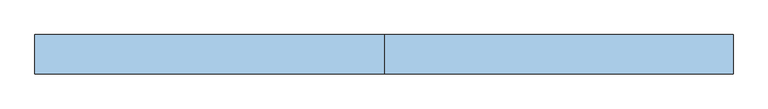
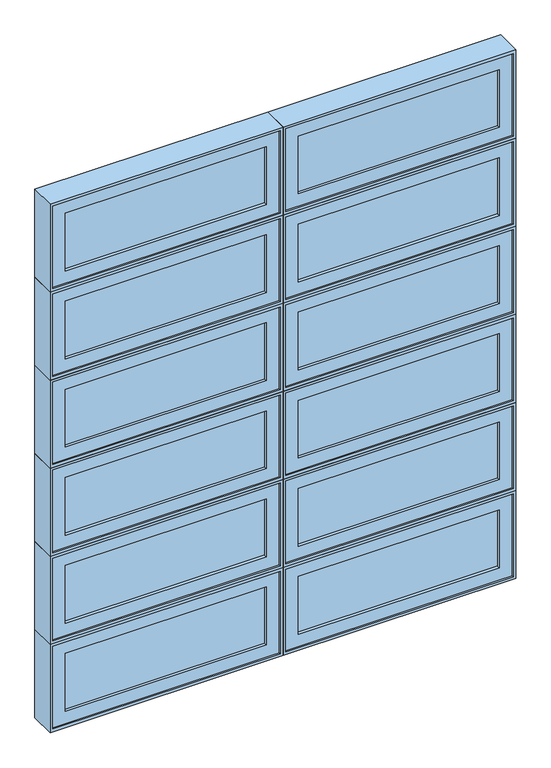
"""IFC4 building model written with IfcOpenShell, lengths in millimetres: window geometry."""

from ifc_helpers import new_model, si_unit, frame, origin, place, context, project, spatial, polyline, outline, extrude, faceted_brep, source, transform, mapped, element, save


def window_0b551761(model_context):
    return source(origin(), model_context, "Body", "SolidModel", [
        faceted_brep([(-1891.8781766, -42.8625, 2959.1), (-1891.8781766, -93.6625, 2959.1), (-901.2781766, -93.6625, 2959.1), (-901.2781766, -42.8625, 2959.1), (-1872.8281766, 20.6375, 2978.15), (-1872.8281766, -42.8625, 2978.15), (-920.3281766, -42.8625, 2978.15), (-920.3281766, 20.6375, 2978.15), (-1904.5781766, -93.6625, 2946.4), (-1904.5781766, 20.6375, 2946.4), (-888.5781766, 20.6375, 2946.4), (-888.5781766, -93.6625, 2946.4), (-901.2781766, -93.6625, 3340.1), (-901.2781766, -42.8625, 3340.1), (-920.3281766, -42.8625, 3321.05), (-920.3281766, 20.6375, 3321.05), (-888.5781766, 20.6375, 3352.8), (-888.5781766, -93.6625, 3352.8), (-1891.8781766, -93.6625, 3340.1), (-1891.8781766, -42.8625, 3340.1), (-1872.8281766, -42.8625, 3321.05), (-1872.8281766, 20.6375, 3321.05), (-1904.5781766, 20.6375, 3352.8), (-1904.5781766, -93.6625, 3352.8)], [[[0, 1, 2, 3]], [[4, 5, 6, 7]], [[8, 9, 10, 11]], [[3, 2, 12, 13]], [[7, 6, 14, 15]], [[11, 10, 16, 17]], [[13, 12, 18, 19]], [[15, 14, 20, 21]], [[17, 16, 22, 23]], [[11, 17, 23, 8], [1, 18, 12, 2]], [[19, 18, 1, 0]], [[3, 13, 19, 0], [5, 20, 14, 6]], [[21, 20, 5, 4]], [[9, 22, 16, 10], [7, 15, 21, 4]], [[23, 22, 9, 8]]]),
        extrude(outline(polyline([(-1834.7281766, -74.6125), (-1834.7281766, -68.2625), (-958.4281766, -68.2625), (-958.4281766, -74.6125), (-1834.7281766, -74.6125)])), frame((0.0, 0.0, 3016.25), z_axis=(0.0, 0.0, 1.0), x_axis=(1.0, 0.0, 0.0)), (0.0, 0.0, 1.0), 266.7),
        extrude(outline(polyline([(-1834.7281766, -61.9125), (-1834.7281766, -55.5625), (-958.4281766, -55.5625), (-958.4281766, -61.9125), (-1834.7281766, -61.9125)])), frame((0.0, 0.0, 3016.25), z_axis=(0.0, 0.0, 1.0), x_axis=(1.0, 0.0, 0.0)), (0.0, 0.0, 1.0), 266.7),
        extrude(outline(polyline([(3340.1, -901.2781766), (3340.1, -1891.8781766), (2959.1, -1891.8781766), (2959.1, -901.2781766), (3340.1, -901.2781766)]), holes=[polyline([(3016.25, -958.4281766), (3016.25, -1834.7281766), (3282.95, -1834.7281766), (3282.95, -958.4281766), (3016.25, -958.4281766)])]), frame((0.0, -87.3125, 0.0), z_axis=(0.0, 1.0, 0.0), x_axis=(0.0, 0.0, 1.0)), (0.0, 0.0, 1.0), 44.45),
        faceted_brep([(-875.8781766, -42.8625, 2959.1), (-875.8781766, -93.6625, 2959.1), (114.7218234, -93.6625, 2959.1), (114.7218234, -42.8625, 2959.1), (-856.8281766, 20.6375, 2978.15), (-856.8281766, -42.8625, 2978.15), (95.6718234, -42.8625, 2978.15), (95.6718234, 20.6375, 2978.15), (-888.5781766, -93.6625, 2946.4), (-888.5781766, 20.6375, 2946.4), (127.4218234, 20.6375, 2946.4), (127.4218234, -93.6625, 2946.4), (114.7218234, -93.6625, 3340.1), (114.7218234, -42.8625, 3340.1), (95.6718234, -42.8625, 3321.05), (95.6718234, 20.6375, 3321.05), (127.4218234, 20.6375, 3352.8), (127.4218234, -93.6625, 3352.8), (-875.8781766, -93.6625, 3340.1), (-875.8781766, -42.8625, 3340.1), (-856.8281766, -42.8625, 3321.05), (-856.8281766, 20.6375, 3321.05), (-888.5781766, 20.6375, 3352.8), (-888.5781766, -93.6625, 3352.8)], [[[0, 1, 2, 3]], [[4, 5, 6, 7]], [[8, 9, 10, 11]], [[3, 2, 12, 13]], [[7, 6, 14, 15]], [[11, 10, 16, 17]], [[13, 12, 18, 19]], [[15, 14, 20, 21]], [[17, 16, 22, 23]], [[11, 17, 23, 8], [1, 18, 12, 2]], [[19, 18, 1, 0]], [[3, 13, 19, 0], [5, 20, 14, 6]], [[21, 20, 5, 4]], [[9, 22, 16, 10], [7, 15, 21, 4]], [[23, 22, 9, 8]]]),
        extrude(outline(polyline([(-818.7281766, -74.6125), (-818.7281766, -68.2625), (57.5718234, -68.2625), (57.5718234, -74.6125), (-818.7281766, -74.6125)])), frame((0.0, 0.0, 3016.25), z_axis=(0.0, 0.0, 1.0), x_axis=(1.0, 0.0, 0.0)), (0.0, 0.0, 1.0), 266.7),
        extrude(outline(polyline([(-818.7281766, -61.9125), (-818.7281766, -55.5625), (57.5718234, -55.5625), (57.5718234, -61.9125), (-818.7281766, -61.9125)])), frame((0.0, 0.0, 3016.25), z_axis=(0.0, 0.0, 1.0), x_axis=(1.0, 0.0, 0.0)), (0.0, 0.0, 1.0), 266.7),
        extrude(outline(polyline([(3340.1, 114.7218234), (3340.1, -875.8781766), (2959.1, -875.8781766), (2959.1, 114.7218234), (3340.1, 114.7218234)]), holes=[polyline([(3016.25, 57.5718234), (3016.25, -818.7281766), (3282.95, -818.7281766), (3282.95, 57.5718234), (3016.25, 57.5718234)])]), frame((0.0, -87.3125, 0.0), z_axis=(0.0, 1.0, 0.0), x_axis=(0.0, 0.0, 1.0)), (0.0, 0.0, 1.0), 44.45),
        faceted_brep([(-875.8781766, -42.8625, 2552.7), (-875.8781766, -93.6625, 2552.7), (114.7218234, -93.6625, 2552.7), (114.7218234, -42.8625, 2552.7), (-856.8281766, 20.6375, 2571.75), (-856.8281766, -42.8625, 2571.75), (95.6718234, -42.8625, 2571.75), (95.6718234, 20.6375, 2571.75), (-888.5781766, -93.6625, 2540.0), (-888.5781766, 20.6375, 2540.0), (127.4218234, 20.6375, 2540.0), (127.4218234, -93.6625, 2540.0), (114.7218234, -93.6625, 2933.7), (114.7218234, -42.8625, 2933.7), (95.6718234, -42.8625, 2914.65), (95.6718234, 20.6375, 2914.65), (127.4218234, 20.6375, 2946.4), (127.4218234, -93.6625, 2946.4), (-875.8781766, -93.6625, 2933.7), (-875.8781766, -42.8625, 2933.7), (-856.8281766, -42.8625, 2914.65), (-856.8281766, 20.6375, 2914.65), (-888.5781766, 20.6375, 2946.4), (-888.5781766, -93.6625, 2946.4)], [[[0, 1, 2, 3]], [[4, 5, 6, 7]], [[8, 9, 10, 11]], [[3, 2, 12, 13]], [[7, 6, 14, 15]], [[11, 10, 16, 17]], [[13, 12, 18, 19]], [[15, 14, 20, 21]], [[17, 16, 22, 23]], [[11, 17, 23, 8], [1, 18, 12, 2]], [[19, 18, 1, 0]], [[3, 13, 19, 0], [5, 20, 14, 6]], [[21, 20, 5, 4]], [[9, 22, 16, 10], [7, 15, 21, 4]], [[23, 22, 9, 8]]]),
        extrude(outline(polyline([(-818.7281766, -74.6125), (-818.7281766, -68.2625), (57.5718234, -68.2625), (57.5718234, -74.6125), (-818.7281766, -74.6125)])), frame((0.0, 0.0, 2609.85), z_axis=(0.0, 0.0, 1.0), x_axis=(1.0, 0.0, 0.0)), (0.0, 0.0, 1.0), 266.7),
        extrude(outline(polyline([(-818.7281766, -61.9125), (-818.7281766, -55.5625), (57.5718234, -55.5625), (57.5718234, -61.9125), (-818.7281766, -61.9125)])), frame((0.0, 0.0, 2609.85), z_axis=(0.0, 0.0, 1.0), x_axis=(1.0, 0.0, 0.0)), (0.0, 0.0, 1.0), 266.7),
        extrude(outline(polyline([(2933.7, 114.7218234), (2933.7, -875.8781766), (2552.7, -875.8781766), (2552.7, 114.7218234), (2933.7, 114.7218234)]), holes=[polyline([(2609.85, 57.5718234), (2609.85, -818.7281766), (2876.55, -818.7281766), (2876.55, 57.5718234), (2609.85, 57.5718234)])]), frame((0.0, -87.3125, 0.0), z_axis=(0.0, 1.0, 0.0), x_axis=(0.0, 0.0, 1.0)), (0.0, 0.0, 1.0), 44.45),
        faceted_brep([(-1891.8781766, -42.8625, 2552.7), (-1891.8781766, -93.6625, 2552.7), (-901.2781766, -93.6625, 2552.7), (-901.2781766, -42.8625, 2552.7), (-1872.8281766, 20.6375, 2571.75), (-1872.8281766, -42.8625, 2571.75), (-920.3281766, -42.8625, 2571.75), (-920.3281766, 20.6375, 2571.75), (-1904.5781766, -93.6625, 2540.0), (-1904.5781766, 20.6375, 2540.0), (-888.5781766, 20.6375, 2540.0), (-888.5781766, -93.6625, 2540.0), (-901.2781766, -93.6625, 2933.7), (-901.2781766, -42.8625, 2933.7), (-920.3281766, -42.8625, 2914.65), (-920.3281766, 20.6375, 2914.65), (-888.5781766, 20.6375, 2946.4), (-888.5781766, -93.6625, 2946.4), (-1891.8781766, -93.6625, 2933.7), (-1891.8781766, -42.8625, 2933.7), (-1872.8281766, -42.8625, 2914.65), (-1872.8281766, 20.6375, 2914.65), (-1904.5781766, 20.6375, 2946.4), (-1904.5781766, -93.6625, 2946.4)], [[[0, 1, 2, 3]], [[4, 5, 6, 7]], [[8, 9, 10, 11]], [[3, 2, 12, 13]], [[7, 6, 14, 15]], [[11, 10, 16, 17]], [[13, 12, 18, 19]], [[15, 14, 20, 21]], [[17, 16, 22, 23]], [[11, 17, 23, 8], [1, 18, 12, 2]], [[19, 18, 1, 0]], [[3, 13, 19, 0], [5, 20, 14, 6]], [[21, 20, 5, 4]], [[9, 22, 16, 10], [7, 15, 21, 4]], [[23, 22, 9, 8]]]),
        extrude(outline(polyline([(-1834.7281766, -74.6125), (-1834.7281766, -68.2625), (-958.4281766, -68.2625), (-958.4281766, -74.6125), (-1834.7281766, -74.6125)])), frame((0.0, 0.0, 2609.85), z_axis=(0.0, 0.0, 1.0), x_axis=(1.0, 0.0, 0.0)), (0.0, 0.0, 1.0), 266.7),
        extrude(outline(polyline([(-1834.7281766, -61.9125), (-1834.7281766, -55.5625), (-958.4281766, -55.5625), (-958.4281766, -61.9125), (-1834.7281766, -61.9125)])), frame((0.0, 0.0, 2609.85), z_axis=(0.0, 0.0, 1.0), x_axis=(1.0, 0.0, 0.0)), (0.0, 0.0, 1.0), 266.7),
        extrude(outline(polyline([(2933.7, -901.2781766), (2933.7, -1891.8781766), (2552.7, -1891.8781766), (2552.7, -901.2781766), (2933.7, -901.2781766)]), holes=[polyline([(2609.85, -958.4281766), (2609.85, -1834.7281766), (2876.55, -1834.7281766), (2876.55, -958.4281766), (2609.85, -958.4281766)])]), frame((0.0, -87.3125, 0.0), z_axis=(0.0, 1.0, 0.0), x_axis=(0.0, 0.0, 1.0)), (0.0, 0.0, 1.0), 44.45),
        faceted_brep([(-875.8781766, -42.8625, 2146.3), (-875.8781766, -93.6625, 2146.3), (114.7218234, -93.6625, 2146.3), (114.7218234, -42.8625, 2146.3), (-856.8281766, 20.6375, 2165.35), (-856.8281766, -42.8625, 2165.35), (95.6718234, -42.8625, 2165.35), (95.6718234, 20.6375, 2165.35), (-888.5781766, -93.6625, 2133.6), (-888.5781766, 20.6375, 2133.6), (127.4218234, 20.6375, 2133.6), (127.4218234, -93.6625, 2133.6), (114.7218234, -93.6625, 2527.3), (114.7218234, -42.8625, 2527.3), (95.6718234, -42.8625, 2508.25), (95.6718234, 20.6375, 2508.25), (127.4218234, 20.6375, 2540.0), (127.4218234, -93.6625, 2540.0), (-875.8781766, -93.6625, 2527.3), (-875.8781766, -42.8625, 2527.3), (-856.8281766, -42.8625, 2508.25), (-856.8281766, 20.6375, 2508.25), (-888.5781766, 20.6375, 2540.0), (-888.5781766, -93.6625, 2540.0)], [[[0, 1, 2, 3]], [[4, 5, 6, 7]], [[8, 9, 10, 11]], [[3, 2, 12, 13]], [[7, 6, 14, 15]], [[11, 10, 16, 17]], [[13, 12, 18, 19]], [[15, 14, 20, 21]], [[17, 16, 22, 23]], [[11, 17, 23, 8], [1, 18, 12, 2]], [[19, 18, 1, 0]], [[3, 13, 19, 0], [5, 20, 14, 6]], [[21, 20, 5, 4]], [[9, 22, 16, 10], [7, 15, 21, 4]], [[23, 22, 9, 8]]]),
        extrude(outline(polyline([(-818.7281766, -74.6125), (-818.7281766, -68.2625), (57.5718234, -68.2625), (57.5718234, -74.6125), (-818.7281766, -74.6125)])), frame((0.0, 0.0, 2203.45), z_axis=(0.0, 0.0, 1.0), x_axis=(1.0, 0.0, 0.0)), (0.0, 0.0, 1.0), 266.7),
        extrude(outline(polyline([(-818.7281766, -61.9125), (-818.7281766, -55.5625), (57.5718234, -55.5625), (57.5718234, -61.9125), (-818.7281766, -61.9125)])), frame((0.0, 0.0, 2203.45), z_axis=(0.0, 0.0, 1.0), x_axis=(1.0, 0.0, 0.0)), (0.0, 0.0, 1.0), 266.7),
        extrude(outline(polyline([(2527.3, 114.7218234), (2527.3, -875.8781766), (2146.3, -875.8781766), (2146.3, 114.7218234), (2527.3, 114.7218234)]), holes=[polyline([(2203.45, 57.5718234), (2203.45, -818.7281766), (2470.15, -818.7281766), (2470.15, 57.5718234), (2203.45, 57.5718234)])]), frame((0.0, -87.3125, 0.0), z_axis=(0.0, 1.0, 0.0), x_axis=(0.0, 0.0, 1.0)), (0.0, 0.0, 1.0), 44.45),
        faceted_brep([(-1891.8781766, -42.8625, 2146.3), (-1891.8781766, -93.6625, 2146.3), (-901.2781766, -93.6625, 2146.3), (-901.2781766, -42.8625, 2146.3), (-1872.8281766, 20.6375, 2165.35), (-1872.8281766, -42.8625, 2165.35), (-920.3281766, -42.8625, 2165.35), (-920.3281766, 20.6375, 2165.35), (-1904.5781766, -93.6625, 2133.6), (-1904.5781766, 20.6375, 2133.6), (-888.5781766, 20.6375, 2133.6), (-888.5781766, -93.6625, 2133.6), (-901.2781766, -93.6625, 2527.3), (-901.2781766, -42.8625, 2527.3), (-920.3281766, -42.8625, 2508.25), (-920.3281766, 20.6375, 2508.25), (-888.5781766, 20.6375, 2540.0), (-888.5781766, -93.6625, 2540.0), (-1891.8781766, -93.6625, 2527.3), (-1891.8781766, -42.8625, 2527.3), (-1872.8281766, -42.8625, 2508.25), (-1872.8281766, 20.6375, 2508.25), (-1904.5781766, 20.6375, 2540.0), (-1904.5781766, -93.6625, 2540.0)], [[[0, 1, 2, 3]], [[4, 5, 6, 7]], [[8, 9, 10, 11]], [[3, 2, 12, 13]], [[7, 6, 14, 15]], [[11, 10, 16, 17]], [[13, 12, 18, 19]], [[15, 14, 20, 21]], [[17, 16, 22, 23]], [[11, 17, 23, 8], [1, 18, 12, 2]], [[19, 18, 1, 0]], [[3, 13, 19, 0], [5, 20, 14, 6]], [[21, 20, 5, 4]], [[9, 22, 16, 10], [7, 15, 21, 4]], [[23, 22, 9, 8]]]),
        extrude(outline(polyline([(-1834.7281766, -74.6125), (-1834.7281766, -68.2625), (-958.4281766, -68.2625), (-958.4281766, -74.6125), (-1834.7281766, -74.6125)])), frame((0.0, 0.0, 2203.45), z_axis=(0.0, 0.0, 1.0), x_axis=(1.0, 0.0, 0.0)), (0.0, 0.0, 1.0), 266.7),
        extrude(outline(polyline([(-1834.7281766, -61.9125), (-1834.7281766, -55.5625), (-958.4281766, -55.5625), (-958.4281766, -61.9125), (-1834.7281766, -61.9125)])), frame((0.0, 0.0, 2203.45), z_axis=(0.0, 0.0, 1.0), x_axis=(1.0, 0.0, 0.0)), (0.0, 0.0, 1.0), 266.7),
        extrude(outline(polyline([(2527.3, -901.2781766), (2527.3, -1891.8781766), (2146.3, -1891.8781766), (2146.3, -901.2781766), (2527.3, -901.2781766)]), holes=[polyline([(2203.45, -958.4281766), (2203.45, -1834.7281766), (2470.15, -1834.7281766), (2470.15, -958.4281766), (2203.45, -958.4281766)])]), frame((0.0, -87.3125, 0.0), z_axis=(0.0, 1.0, 0.0), x_axis=(0.0, 0.0, 1.0)), (0.0, 0.0, 1.0), 44.45),
        faceted_brep([(-875.8781766, -42.8625, 1739.9), (-875.8781766, -93.6625, 1739.9), (114.7218234, -93.6625, 1739.9), (114.7218234, -42.8625, 1739.9), (-856.8281766, 20.6375, 1758.95), (-856.8281766, -42.8625, 1758.95), (95.6718234, -42.8625, 1758.95), (95.6718234, 20.6375, 1758.95), (-888.5781766, -93.6625, 1727.2), (-888.5781766, 20.6375, 1727.2), (127.4218234, 20.6375, 1727.2), (127.4218234, -93.6625, 1727.2), (114.7218234, -93.6625, 2120.9), (114.7218234, -42.8625, 2120.9), (95.6718234, -42.8625, 2101.85), (95.6718234, 20.6375, 2101.85), (127.4218234, 20.6375, 2133.6), (127.4218234, -93.6625, 2133.6), (-875.8781766, -93.6625, 2120.9), (-875.8781766, -42.8625, 2120.9), (-856.8281766, -42.8625, 2101.85), (-856.8281766, 20.6375, 2101.85), (-888.5781766, 20.6375, 2133.6), (-888.5781766, -93.6625, 2133.6)], [[[0, 1, 2, 3]], [[4, 5, 6, 7]], [[8, 9, 10, 11]], [[3, 2, 12, 13]], [[7, 6, 14, 15]], [[11, 10, 16, 17]], [[13, 12, 18, 19]], [[15, 14, 20, 21]], [[17, 16, 22, 23]], [[11, 17, 23, 8], [1, 18, 12, 2]], [[19, 18, 1, 0]], [[3, 13, 19, 0], [5, 20, 14, 6]], [[21, 20, 5, 4]], [[9, 22, 16, 10], [7, 15, 21, 4]], [[23, 22, 9, 8]]]),
        extrude(outline(polyline([(-818.7281766, -74.6125), (-818.7281766, -68.2625), (57.5718234, -68.2625), (57.5718234, -74.6125), (-818.7281766, -74.6125)])), frame((0.0, 0.0, 1797.05), z_axis=(0.0, 0.0, 1.0), x_axis=(1.0, 0.0, 0.0)), (0.0, 0.0, 1.0), 266.7),
        extrude(outline(polyline([(-818.7281766, -61.9125), (-818.7281766, -55.5625), (57.5718234, -55.5625), (57.5718234, -61.9125), (-818.7281766, -61.9125)])), frame((0.0, 0.0, 1797.05), z_axis=(0.0, 0.0, 1.0), x_axis=(1.0, 0.0, 0.0)), (0.0, 0.0, 1.0), 266.7),
        extrude(outline(polyline([(2120.9, 114.7218234), (2120.9, -875.8781766), (1739.9, -875.8781766), (1739.9, 114.7218234), (2120.9, 114.7218234)]), holes=[polyline([(1797.05, 57.5718234), (1797.05, -818.7281766), (2063.75, -818.7281766), (2063.75, 57.5718234), (1797.05, 57.5718234)])]), frame((0.0, -87.3125, 0.0), z_axis=(0.0, 1.0, 0.0), x_axis=(0.0, 0.0, 1.0)), (0.0, 0.0, 1.0), 44.45),
        faceted_brep([(-1891.8781766, -42.8625, 1739.9), (-1891.8781766, -93.6625, 1739.9), (-901.2781766, -93.6625, 1739.9), (-901.2781766, -42.8625, 1739.9), (-1872.8281766, 20.6375, 1758.95), (-1872.8281766, -42.8625, 1758.95), (-920.3281766, -42.8625, 1758.95), (-920.3281766, 20.6375, 1758.95), (-1904.5781766, -93.6625, 1727.2), (-1904.5781766, 20.6375, 1727.2), (-888.5781766, 20.6375, 1727.2), (-888.5781766, -93.6625, 1727.2), (-901.2781766, -93.6625, 2120.9), (-901.2781766, -42.8625, 2120.9), (-920.3281766, -42.8625, 2101.85), (-920.3281766, 20.6375, 2101.85), (-888.5781766, 20.6375, 2133.6), (-888.5781766, -93.6625, 2133.6), (-1891.8781766, -93.6625, 2120.9), (-1891.8781766, -42.8625, 2120.9), (-1872.8281766, -42.8625, 2101.85), (-1872.8281766, 20.6375, 2101.85), (-1904.5781766, 20.6375, 2133.6), (-1904.5781766, -93.6625, 2133.6)], [[[0, 1, 2, 3]], [[4, 5, 6, 7]], [[8, 9, 10, 11]], [[3, 2, 12, 13]], [[7, 6, 14, 15]], [[11, 10, 16, 17]], [[13, 12, 18, 19]], [[15, 14, 20, 21]], [[17, 16, 22, 23]], [[11, 17, 23, 8], [1, 18, 12, 2]], [[19, 18, 1, 0]], [[3, 13, 19, 0], [5, 20, 14, 6]], [[21, 20, 5, 4]], [[9, 22, 16, 10], [7, 15, 21, 4]], [[23, 22, 9, 8]]]),
        extrude(outline(polyline([(-1834.7281766, -74.6125), (-1834.7281766, -68.2625), (-958.4281766, -68.2625), (-958.4281766, -74.6125), (-1834.7281766, -74.6125)])), frame((0.0, 0.0, 1797.05), z_axis=(0.0, 0.0, 1.0), x_axis=(1.0, 0.0, 0.0)), (0.0, 0.0, 1.0), 266.7),
        extrude(outline(polyline([(-1834.7281766, -61.9125), (-1834.7281766, -55.5625), (-958.4281766, -55.5625), (-958.4281766, -61.9125), (-1834.7281766, -61.9125)])), frame((0.0, 0.0, 1797.05), z_axis=(0.0, 0.0, 1.0), x_axis=(1.0, 0.0, 0.0)), (0.0, 0.0, 1.0), 266.7),
        extrude(outline(polyline([(2120.9, -901.2781766), (2120.9, -1891.8781766), (1739.9, -1891.8781766), (1739.9, -901.2781766), (2120.9, -901.2781766)]), holes=[polyline([(1797.05, -958.4281766), (1797.05, -1834.7281766), (2063.75, -1834.7281766), (2063.75, -958.4281766), (1797.05, -958.4281766)])]), frame((0.0, -87.3125, 0.0), z_axis=(0.0, 1.0, 0.0), x_axis=(0.0, 0.0, 1.0)), (0.0, 0.0, 1.0), 44.45),
        faceted_brep([(-875.8781766, -42.8625, 1333.5), (-875.8781766, -93.6625, 1333.5), (114.7218234, -93.6625, 1333.5), (114.7218234, -42.8625, 1333.5), (-856.8281766, 20.6375, 1352.55), (-856.8281766, -42.8625, 1352.55), (95.6718234, -42.8625, 1352.55), (95.6718234, 20.6375, 1352.55), (-888.5781766, -93.6625, 1320.8), (-888.5781766, 20.6375, 1320.8), (127.4218234, 20.6375, 1320.8), (127.4218234, -93.6625, 1320.8), (114.7218234, -93.6625, 1714.5), (114.7218234, -42.8625, 1714.5), (95.6718234, -42.8625, 1695.45), (95.6718234, 20.6375, 1695.45), (127.4218234, 20.6375, 1727.2), (127.4218234, -93.6625, 1727.2), (-875.8781766, -93.6625, 1714.5), (-875.8781766, -42.8625, 1714.5), (-856.8281766, -42.8625, 1695.45), (-856.8281766, 20.6375, 1695.45), (-888.5781766, 20.6375, 1727.2), (-888.5781766, -93.6625, 1727.2)], [[[0, 1, 2, 3]], [[4, 5, 6, 7]], [[8, 9, 10, 11]], [[3, 2, 12, 13]], [[7, 6, 14, 15]], [[11, 10, 16, 17]], [[13, 12, 18, 19]], [[15, 14, 20, 21]], [[17, 16, 22, 23]], [[11, 17, 23, 8], [1, 18, 12, 2]], [[19, 18, 1, 0]], [[3, 13, 19, 0], [5, 20, 14, 6]], [[21, 20, 5, 4]], [[9, 22, 16, 10], [7, 15, 21, 4]], [[23, 22, 9, 8]]]),
        extrude(outline(polyline([(-818.7281766, -74.6125), (-818.7281766, -68.2625), (57.5718234, -68.2625), (57.5718234, -74.6125), (-818.7281766, -74.6125)])), frame((0.0, 0.0, 1390.65), z_axis=(0.0, 0.0, 1.0), x_axis=(1.0, 0.0, 0.0)), (0.0, 0.0, 1.0), 266.7),
        extrude(outline(polyline([(-818.7281766, -61.9125), (-818.7281766, -55.5625), (57.5718234, -55.5625), (57.5718234, -61.9125), (-818.7281766, -61.9125)])), frame((0.0, 0.0, 1390.65), z_axis=(0.0, 0.0, 1.0), x_axis=(1.0, 0.0, 0.0)), (0.0, 0.0, 1.0), 266.7),
        extrude(outline(polyline([(1714.5, 114.7218234), (1714.5, -875.8781766), (1333.5, -875.8781766), (1333.5, 114.7218234), (1714.5, 114.7218234)]), holes=[polyline([(1390.65, 57.5718234), (1390.65, -818.7281766), (1657.35, -818.7281766), (1657.35, 57.5718234), (1390.65, 57.5718234)])]), frame((0.0, -87.3125, 0.0), z_axis=(0.0, 1.0, 0.0), x_axis=(0.0, 0.0, 1.0)), (0.0, 0.0, 1.0), 44.45),
        faceted_brep([(-1891.8781766, -42.8625, 1333.5), (-1891.8781766, -93.6625, 1333.5), (-901.2781766, -93.6625, 1333.5), (-901.2781766, -42.8625, 1333.5), (-1872.8281766, 20.6375, 1352.55), (-1872.8281766, -42.8625, 1352.55), (-920.3281766, -42.8625, 1352.55), (-920.3281766, 20.6375, 1352.55), (-1904.5781766, -93.6625, 1320.8), (-1904.5781766, 20.6375, 1320.8), (-888.5781766, 20.6375, 1320.8), (-888.5781766, -93.6625, 1320.8), (-901.2781766, -93.6625, 1714.5), (-901.2781766, -42.8625, 1714.5), (-920.3281766, -42.8625, 1695.45), (-920.3281766, 20.6375, 1695.45), (-888.5781766, 20.6375, 1727.2), (-888.5781766, -93.6625, 1727.2), (-1891.8781766, -93.6625, 1714.5), (-1891.8781766, -42.8625, 1714.5), (-1872.8281766, -42.8625, 1695.45), (-1872.8281766, 20.6375, 1695.45), (-1904.5781766, 20.6375, 1727.2), (-1904.5781766, -93.6625, 1727.2)], [[[0, 1, 2, 3]], [[4, 5, 6, 7]], [[8, 9, 10, 11]], [[3, 2, 12, 13]], [[7, 6, 14, 15]], [[11, 10, 16, 17]], [[13, 12, 18, 19]], [[15, 14, 20, 21]], [[17, 16, 22, 23]], [[11, 17, 23, 8], [1, 18, 12, 2]], [[19, 18, 1, 0]], [[3, 13, 19, 0], [5, 20, 14, 6]], [[21, 20, 5, 4]], [[9, 22, 16, 10], [7, 15, 21, 4]], [[23, 22, 9, 8]]]),
        extrude(outline(polyline([(-1834.7281766, -74.6125), (-1834.7281766, -68.2625), (-958.4281766, -68.2625), (-958.4281766, -74.6125), (-1834.7281766, -74.6125)])), frame((0.0, 0.0, 1390.65), z_axis=(0.0, 0.0, 1.0), x_axis=(1.0, 0.0, 0.0)), (0.0, 0.0, 1.0), 266.7),
        extrude(outline(polyline([(-1834.7281766, -61.9125), (-1834.7281766, -55.5625), (-958.4281766, -55.5625), (-958.4281766, -61.9125), (-1834.7281766, -61.9125)])), frame((0.0, 0.0, 1390.65), z_axis=(0.0, 0.0, 1.0), x_axis=(1.0, 0.0, 0.0)), (0.0, 0.0, 1.0), 266.7),
        extrude(outline(polyline([(1714.5, -901.2781766), (1714.5, -1891.8781766), (1333.5, -1891.8781766), (1333.5, -901.2781766), (1714.5, -901.2781766)]), holes=[polyline([(1390.65, -958.4281766), (1390.65, -1834.7281766), (1657.35, -1834.7281766), (1657.35, -958.4281766), (1390.65, -958.4281766)])]), frame((0.0, -87.3125, 0.0), z_axis=(0.0, 1.0, 0.0), x_axis=(0.0, 0.0, 1.0)), (0.0, 0.0, 1.0), 44.45),
        faceted_brep([(-875.8781766, -42.8625, 927.1), (-875.8781766, -93.6625, 927.1), (114.7218234, -93.6625, 927.1), (114.7218234, -42.8625, 927.1), (-856.8281766, 20.6375, 946.15), (-856.8281766, -42.8625, 946.15), (95.6718234, -42.8625, 946.15), (95.6718234, 20.6375, 946.15), (-888.5781766, -93.6625, 914.4), (-888.5781766, 20.6375, 914.4), (127.4218234, 20.6375, 914.4), (127.4218234, -93.6625, 914.4), (114.7218234, -93.6625, 1308.1), (114.7218234, -42.8625, 1308.1), (95.6718234, -42.8625, 1289.05), (95.6718234, 20.6375, 1289.05), (127.4218234, 20.6375, 1320.8), (127.4218234, -93.6625, 1320.8), (-875.8781766, -93.6625, 1308.1), (-875.8781766, -42.8625, 1308.1), (-856.8281766, -42.8625, 1289.05), (-856.8281766, 20.6375, 1289.05), (-888.5781766, 20.6375, 1320.8), (-888.5781766, -93.6625, 1320.8)], [[[0, 1, 2, 3]], [[4, 5, 6, 7]], [[8, 9, 10, 11]], [[3, 2, 12, 13]], [[7, 6, 14, 15]], [[11, 10, 16, 17]], [[13, 12, 18, 19]], [[15, 14, 20, 21]], [[17, 16, 22, 23]], [[11, 17, 23, 8], [1, 18, 12, 2]], [[19, 18, 1, 0]], [[3, 13, 19, 0], [5, 20, 14, 6]], [[21, 20, 5, 4]], [[9, 22, 16, 10], [7, 15, 21, 4]], [[23, 22, 9, 8]]]),
        extrude(outline(polyline([(-818.7281766, -74.6125), (-818.7281766, -68.2625), (57.5718234, -68.2625), (57.5718234, -74.6125), (-818.7281766, -74.6125)])), frame((0.0, 0.0, 984.25), z_axis=(0.0, 0.0, 1.0), x_axis=(1.0, 0.0, 0.0)), (0.0, 0.0, 1.0), 266.7),
        extrude(outline(polyline([(-818.7281766, -61.9125), (-818.7281766, -55.5625), (57.5718234, -55.5625), (57.5718234, -61.9125), (-818.7281766, -61.9125)])), frame((0.0, 0.0, 984.25), z_axis=(0.0, 0.0, 1.0), x_axis=(1.0, 0.0, 0.0)), (0.0, 0.0, 1.0), 266.7),
        extrude(outline(polyline([(1308.1, 114.7218234), (1308.1, -875.8781766), (927.1, -875.8781766), (927.1, 114.7218234), (1308.1, 114.7218234)]), holes=[polyline([(984.25, 57.5718234), (984.25, -818.7281766), (1250.95, -818.7281766), (1250.95, 57.5718234), (984.25, 57.5718234)])]), frame((0.0, -87.3125, 0.0), z_axis=(0.0, 1.0, 0.0), x_axis=(0.0, 0.0, 1.0)), (0.0, 0.0, 1.0), 44.45),
        faceted_brep([(-1891.8781766, -42.8625, 927.1), (-1891.8781766, -93.6625, 927.1), (-901.2781766, -93.6625, 927.1), (-901.2781766, -42.8625, 927.1), (-1872.8281766, 20.6375, 946.15), (-1872.8281766, -42.8625, 946.15), (-920.3281766, -42.8625, 946.15), (-920.3281766, 20.6375, 946.15), (-1904.5781766, -93.6625, 914.4), (-1904.5781766, 20.6375, 914.4), (-888.5781766, 20.6375, 914.4), (-888.5781766, -93.6625, 914.4), (-901.2781766, -93.6625, 1308.1), (-901.2781766, -42.8625, 1308.1), (-920.3281766, -42.8625, 1289.05), (-920.3281766, 20.6375, 1289.05), (-888.5781766, 20.6375, 1320.8), (-888.5781766, -93.6625, 1320.8), (-1891.8781766, -93.6625, 1308.1), (-1891.8781766, -42.8625, 1308.1), (-1872.8281766, -42.8625, 1289.05), (-1872.8281766, 20.6375, 1289.05), (-1904.5781766, 20.6375, 1320.8), (-1904.5781766, -93.6625, 1320.8)], [[[0, 1, 2, 3]], [[4, 5, 6, 7]], [[8, 9, 10, 11]], [[3, 2, 12, 13]], [[7, 6, 14, 15]], [[11, 10, 16, 17]], [[13, 12, 18, 19]], [[15, 14, 20, 21]], [[17, 16, 22, 23]], [[11, 17, 23, 8], [1, 18, 12, 2]], [[19, 18, 1, 0]], [[3, 13, 19, 0], [5, 20, 14, 6]], [[21, 20, 5, 4]], [[9, 22, 16, 10], [7, 15, 21, 4]], [[23, 22, 9, 8]]]),
        extrude(outline(polyline([(-1834.7281766, -74.6125), (-1834.7281766, -68.2625), (-958.4281766, -68.2625), (-958.4281766, -74.6125), (-1834.7281766, -74.6125)])), frame((0.0, 0.0, 984.25), z_axis=(0.0, 0.0, 1.0), x_axis=(1.0, 0.0, 0.0)), (0.0, 0.0, 1.0), 266.7),
        extrude(outline(polyline([(-1834.7281766, -61.9125), (-1834.7281766, -55.5625), (-958.4281766, -55.5625), (-958.4281766, -61.9125), (-1834.7281766, -61.9125)])), frame((0.0, 0.0, 984.25), z_axis=(0.0, 0.0, 1.0), x_axis=(1.0, 0.0, 0.0)), (0.0, 0.0, 1.0), 266.7),
        extrude(outline(polyline([(1308.1, -901.2781766), (1308.1, -1891.8781766), (927.1, -1891.8781766), (927.1, -901.2781766), (1308.1, -901.2781766)]), holes=[polyline([(984.25, -958.4281766), (984.25, -1834.7281766), (1250.95, -1834.7281766), (1250.95, -958.4281766), (984.25, -958.4281766)])]), frame((0.0, -87.3125, 0.0), z_axis=(0.0, 1.0, 0.0), x_axis=(0.0, 0.0, 1.0)), (0.0, 0.0, 1.0), 44.45),
    ])


if __name__ == "__main__":
    model = new_model("IFC4")
    model_context = context("Model", 3, world=origin())
    ifc_project = project(units=[si_unit("LENGTHUNIT", "METRE", prefix="MILLI")], contexts=[model_context])
    site = spatial("IfcSite", under=ifc_project)
    building = spatial("IfcBuilding", under=site)
    placement = place(None, origin())
    window_shape = window_0b551761(model_context)
    element("IfcWindow", 1, at=placement, inside=building, context=model_context, shape_type="MappedRepresentation", body=[
        mapped(window_shape, transform((0.0, 0.0, 0.0), x_axis=(1.0, 0.0, 0.0), y_axis=(0.0, 1.0, 0.0), z_axis=(0.0, 0.0, 1.0))),
    ])
    save(model, "model.ifc")
